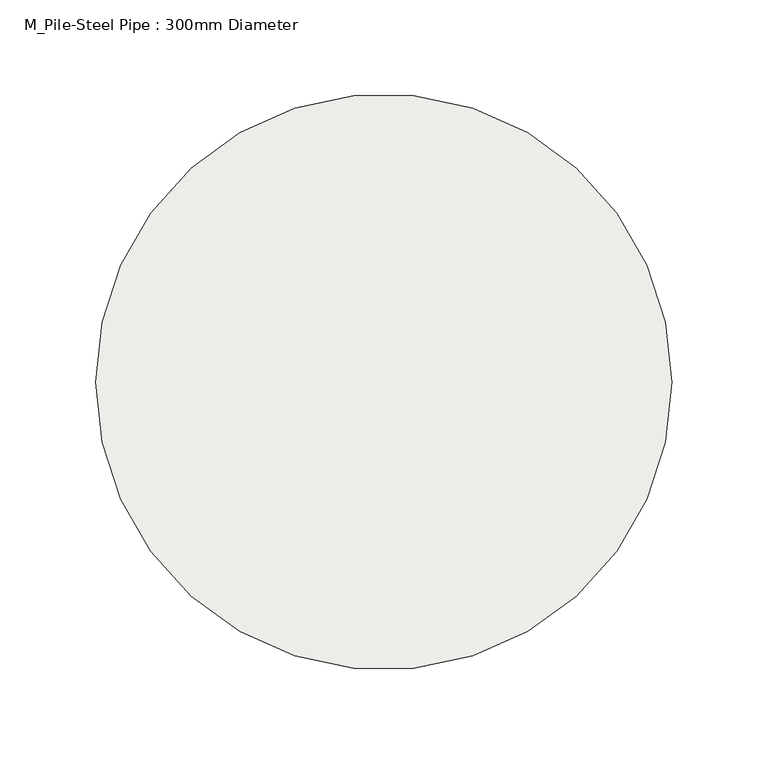
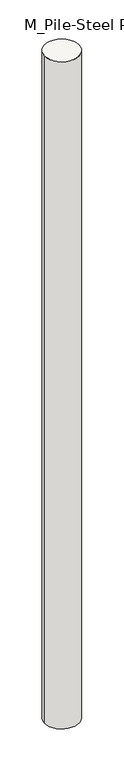
"""IFC4 building model written with IfcOpenShell, lengths in millimetres: slab geometry, M_Pile-Steel Pipe : 300mm Diameter."""

from ifc_helpers import new_model, si_unit, point, frame, origin, origin_2d, place, context, project, spatial, circle_curve, trimmed, segment, composite_curve, outline, extrude, source, transform, mapped, element, save


def m_pile_steel_pipe_300mm_diameter_9db3f09c(model_context):
    return source(origin(), model_context, "Body", "SweptSolid", [
        extrude(outline(composite_curve([segment(trimmed(circle_curve(origin_2d(), 150.0), [point((-150.0, 0.0))], [point((150.0, 0.0))], False, "CARTESIAN"), True, "CONTINUOUS"), segment(trimmed(circle_curve(origin_2d(), 150.0), [point((150.0, 0.0))], [point((-150.0, 0.0))], False, "CARTESIAN"), True, "CONTINUOUS")], self_intersect=False)), frame((0.0, 0.0, -6000.0), z_axis=(0.0, 0.0, 1.0), x_axis=(1.0, 0.0, 0.0)), (0.0, 0.0, 1.0), 6150.0),
    ])


if __name__ == "__main__":
    model = new_model("IFC4")
    model_context = context("Model", 3, world=origin())
    ifc_project = project(units=[si_unit("LENGTHUNIT", "METRE", prefix="MILLI")], contexts=[model_context])
    site = spatial("IfcSite", under=ifc_project)
    building = spatial("IfcBuilding", under=site)
    placement = place(None, origin())
    m_pile_steel_pipe_300mm_diameter_shape = m_pile_steel_pipe_300mm_diameter_9db3f09c(model_context)
    element("IfcSlab", 1, ObjectType="M_Pile-Steel Pipe : 300mm Diameter", at=placement, inside=building, context=model_context, shape_type="MappedRepresentation", body=[
        mapped(m_pile_steel_pipe_300mm_diameter_shape, transform((0.0, 0.0, 0.0), x_axis=(1.0, 0.0, 0.0), y_axis=(0.0, 1.0, 0.0), z_axis=(0.0, 0.0, 1.0))),
    ])
    save(model, "model.ifc")
